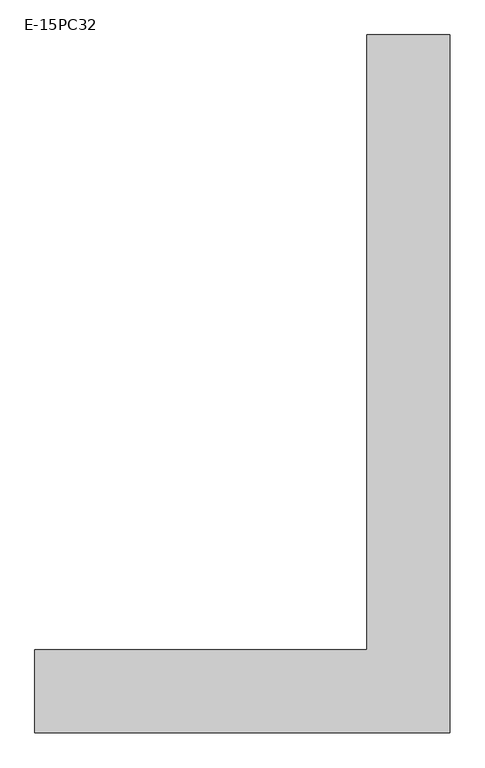
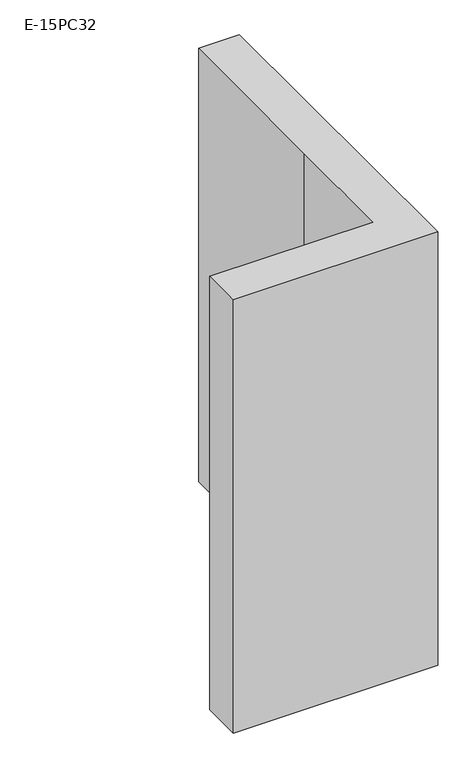
"""IFC4 building model written with IfcOpenShell, lengths in millimetres: column geometry, E-15PC32."""

from ifc_helpers import new_model, si_unit, frame, origin, place, context, project, spatial, polyline, outline, extrude, source, transform, mapped, element, save


def e_15pc32_5d15029a(model_context):
    return source(origin(), model_context, "Body", "SweptSolid", [
        extrude(outline(polyline([(610.0, 1120.0), (860.0, 1120.0), (860.0, -980.0), (-390.0, -980.0), (-390.0, -730.0), (610.0, -730.0), (610.0, 0.0), (610.0, 1120.0)])), frame((0.0, 0.0, 26000.0), z_axis=(0.0, 0.0, 1.0), x_axis=(1.0, 0.0, 0.0)), (0.0, 0.0, 1.0), 2800.0),
    ])


if __name__ == "__main__":
    model = new_model("IFC4")
    model_context = context("Model", 3, world=origin())
    ifc_project = project(units=[si_unit("LENGTHUNIT", "METRE", prefix="MILLI")], contexts=[model_context])
    site = spatial("IfcSite", under=ifc_project)
    building = spatial("IfcBuilding", under=site)
    placement = place(None, origin())
    e_15pc32_shape = e_15pc32_5d15029a(model_context)
    element("IfcColumn", 1, ObjectType="E-15PC32", at=placement, inside=building, context=model_context, shape_type="MappedRepresentation", body=[
        mapped(e_15pc32_shape, transform((0.0, 0.0, 0.0), x_axis=(1.0, 0.0, 0.0), y_axis=(0.0, 1.0, 0.0), z_axis=(0.0, 0.0, 1.0))),
    ])
    save(model, "model.ifc")
